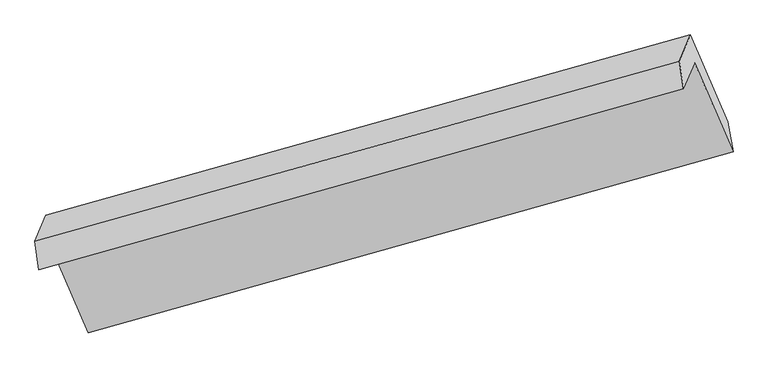
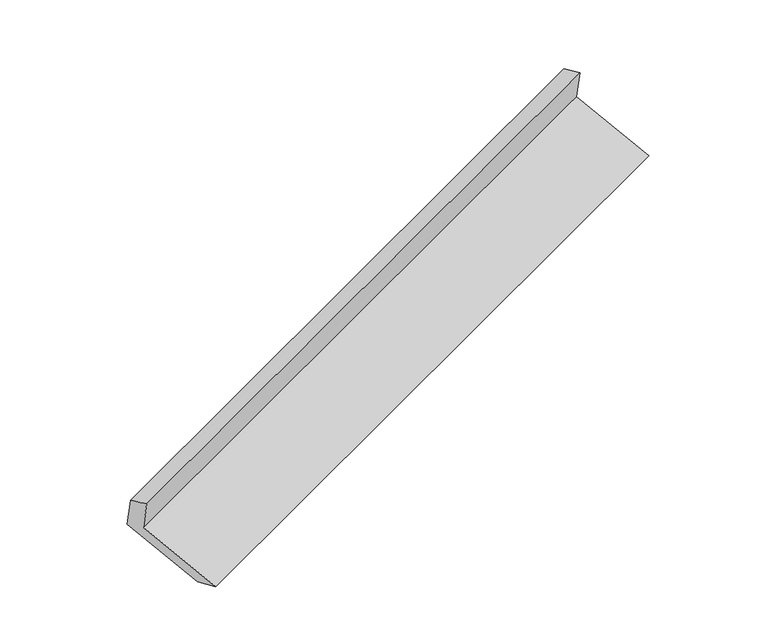
"""IFC4 building model written with IfcOpenShell, lengths in millimetres: proxy geometry."""

from ifc_helpers import new_model, si_unit, frame, origin, place, context, project, spatial, source, transform, mapped, element, save
from ifc_brep_helpers import plane_surface, spline_surface, advanced_brep


def generic_models_920b012b(model_context):
    return source(origin(), model_context, "Body", "AdvancedBrep", [
        advanced_brep(
        [(-5128.2579045, -2122.2524757, 1496.9341176), (-5054.7636282, -1948.2640041, 1157.6183461), (-760.4468348, -742.906591, 2705.8104526), (-833.9411111, -916.8950626, 3045.126224), (-5153.9817469, -1933.3052225, 1421.1795368), (-861.5574735, -732.428113, 2978.10922), (-5080.4874706, -1759.3167509, 1081.8637654), (-788.0631972, -558.4396414, 2638.7934486), (-4830.9300009, -2337.2259334, 839.586522), (-538.5057275, -1136.3488238, 2396.5162052), (-4797.8064303, -2543.3090025, 908.1572434), (-503.4896369, -1337.9515894, 2456.3493499)],
        [
            (0, 1),
            (1, 2),
            (2, 3),
            (3, 0),
            (4, 0),
            (3, 5),
            (5, 4),
            (6, 4),
            (5, 7),
            (7, 6),
            (8, 6),
            (7, 9),
            (9, 8),
            (10, 8),
            (9, 11),
            (11, 10),
            (1, 10),
            (11, 2),
        ],
        [
            plane_surface(frame((-5091.5107663, -2035.2582399, 1327.2762319), z_axis=(0.36998640958488094, -0.8567907975607543, -0.35919296476642726), x_axis=(0.18925200029799993, 0.4480303492989482, -0.8737576817918504))),
            spline_surface(1, 1, [[(-5153.9817469, -1933.3052225, 1421.1795368), (-861.5574735, -732.428113, 2978.10922)], [(-5128.2579045, -2122.2524757, 1496.9341176), (-833.9411111, -916.8950626, 3045.126224)]], [2, 2], [2, 2], [0.0, 1.0], [0.0, 1.0]),
            plane_surface(frame((-5117.2346087, -1846.3109867, 1251.5216511), z_axis=(-0.3699864095848811, 0.8567907975607539, 0.35919296476642765), x_axis=(-0.18925200029800016, -0.44803034929894875, 0.8737576817918501))),
            plane_surface(frame((-4955.7087357, -2048.2713422, 960.7251437), z_axis=(0.1911780565864971, 0.44857008178957963, -0.8730611847992672), x_axis=(-0.3699864095848698, 0.8567907975607592, 0.3591929647664265))),
            spline_surface(1, 1, [[(-4797.8064303, -2543.3090025, 908.1572434), (-503.4896369, -1337.9515894, 2456.3493499)], [(-4830.9300009, -2337.2259334, 839.586522), (-538.5057275, -1136.3488238, 2396.5162052)]], [2, 2], [2, 2], [0.0, 1.0], [0.0, 1.0]),
            plane_surface(frame((-4926.2850293, -2245.7865033, 1032.8877948), z_axis=(-0.18925200029799968, -0.44803034929894775, 0.8737576817918505), x_axis=(0.36998640958487045, -0.8567907975607572, -0.35919296476643064))),
            plane_surface(frame((-714.3339968, -904.1616369, 2703.4508167), z_axis=(0.9095568905273063, 0.2553004804583504, 0.32791451259746573), x_axis=(-0.3699864095848698, 0.8567907975607592, 0.3591929647664265))),
            plane_surface(frame((-5007.7045302, -2107.2788982, 1150.8899219), z_axis=(-0.9095568905273017, -0.2553004804583616, -0.3279145125974699), x_axis=(-0.18925200029799993, -0.4480303492989482, 0.8737576817918504))),
        ],
        [
            (0, [[1, 2, 3, 4]]),
            (1, [[5, -4, 6, 7]]),
            (2, [[8, -7, 9, 10]]),
            (3, [[11, -10, 12, 13]]),
            (4, [[14, -13, 15, 16]]),
            (5, [[17, -16, 18, -2]]),
            (6, [[-12, -9, -6, -3, -18, -15]]),
            (7, [[-1, -5, -8, -11, -14, -17]]),
        ],
    ),
    ])


if __name__ == "__main__":
    model = new_model("IFC4")
    model_context = context("Model", 3, world=origin())
    ifc_project = project(units=[si_unit("LENGTHUNIT", "METRE", prefix="MILLI")], contexts=[model_context])
    site = spatial("IfcSite", under=ifc_project)
    building = spatial("IfcBuilding", under=site)
    placement = place(None, origin())
    generic_models_shape = generic_models_920b012b(model_context)
    element("IfcBuildingElementProxy", 1, Name="Generic Models", at=placement, inside=building, context=model_context, shape_type="MappedRepresentation", body=[
        mapped(generic_models_shape, transform((0.0, 0.0, 0.0), x_axis=(1.0, 0.0, 0.0), y_axis=(0.0, 1.0, 0.0), z_axis=(0.0, 0.0, 1.0))),
    ])
    save(model, "model.ifc")
